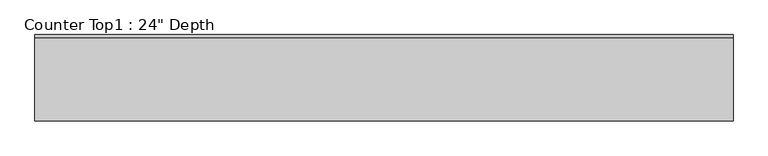
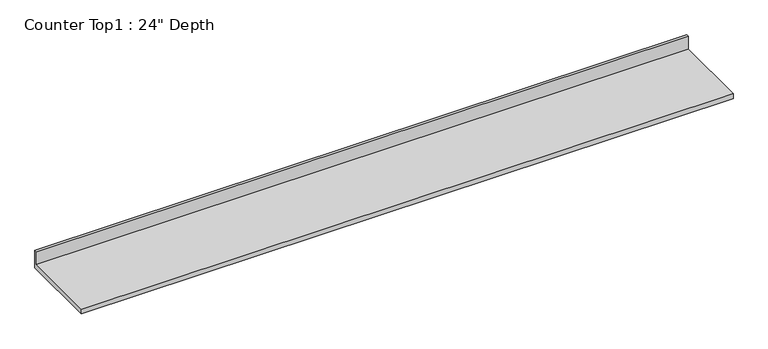
"""IFC4 building model written with IfcOpenShell, lengths in millimetres: furniture geometry."""

from ifc_helpers import new_model, si_unit, frame, origin, place, context, project, spatial, polyline, outline, extrude, source, transform, mapped, element, save


def furniture_cf378425(model_context):
    return source(origin(), model_context, "Body", "SweptSolid", [
        extrude(outline(polyline([(0.0, 1016.0), (0.0, 876.3), (-609.6, 876.3), (-609.6, 914.4), (-19.05, 914.4), (-19.05, 1016.0), (0.0, 1016.0)])), frame((-1200.4622951, 0.0, 0.0), z_axis=(1.0, 0.0, 0.0), x_axis=(0.0, 1.0, 0.0)), (0.0, 0.0, 1.0), 4927.6),
    ])


if __name__ == "__main__":
    model = new_model("IFC4")
    model_context = context("Model", 3, world=origin())
    ifc_project = project(units=[si_unit("LENGTHUNIT", "METRE", prefix="MILLI")], contexts=[model_context])
    site = spatial("IfcSite", under=ifc_project)
    building = spatial("IfcBuilding", under=site)
    placement = place(None, origin())
    furniture_shape = furniture_cf378425(model_context)
    element("IfcFurniture", 1, ObjectType="Counter Top1 : 24\" Depth", at=placement, inside=building, context=model_context, shape_type="MappedRepresentation", body=[
        mapped(furniture_shape, transform((0.0, 0.0, 0.0), x_axis=(1.0, 0.0, 0.0), y_axis=(0.0, 1.0, 0.0), z_axis=(0.0, 0.0, 1.0))),
    ])
    save(model, "model.ifc")
